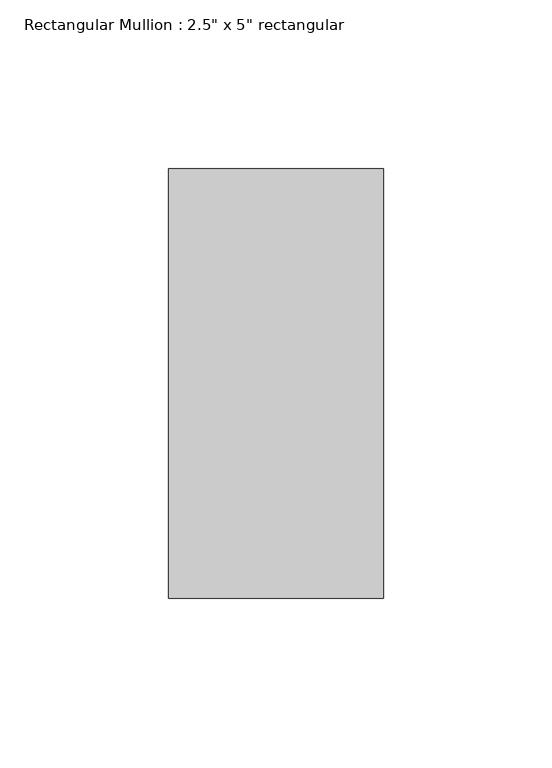
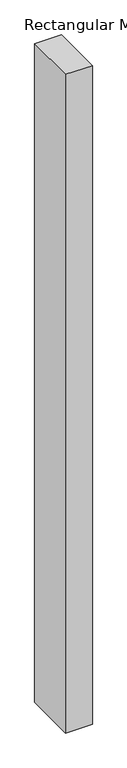
"""IFC4 building model written with IfcOpenShell, lengths in millimetres: member geometry."""

from ifc_helpers import new_model, si_unit, frame, origin, place, context, project, spatial, polyline, outline, extrude, source, transform, mapped, element, save


def member_8d225a1f(model_context):
    return source(origin(), model_context, "Body", "SweptSolid", [
        extrude(outline(polyline([(0.0, 63.5), (0.0, -63.5), (-63.5, -63.5), (-63.5, 63.5), (0.0, 63.5)])), frame((0.0, 0.0, -1654.116496), z_axis=(0.0, 0.0, 1.0), x_axis=(1.0, 0.0, 0.0)), (0.0, 0.0, 1.0), 1654.116496),
    ])


if __name__ == "__main__":
    model = new_model("IFC4")
    model_context = context("Model", 3, world=origin())
    ifc_project = project(units=[si_unit("LENGTHUNIT", "METRE", prefix="MILLI")], contexts=[model_context])
    site = spatial("IfcSite", under=ifc_project)
    building = spatial("IfcBuilding", under=site)
    placement = place(None, origin())
    member_shape = member_8d225a1f(model_context)
    element("IfcMember", 1, ObjectType="Rectangular Mullion : 2.5\" x 5\" rectangular", at=placement, inside=building, context=model_context, shape_type="MappedRepresentation", body=[
        mapped(member_shape, transform((0.0, 0.0, 0.0), x_axis=(1.0, 0.0, 0.0), y_axis=(0.0, 1.0, 0.0), z_axis=(0.0, 0.0, 1.0))),
    ])
    save(model, "model.ifc")
